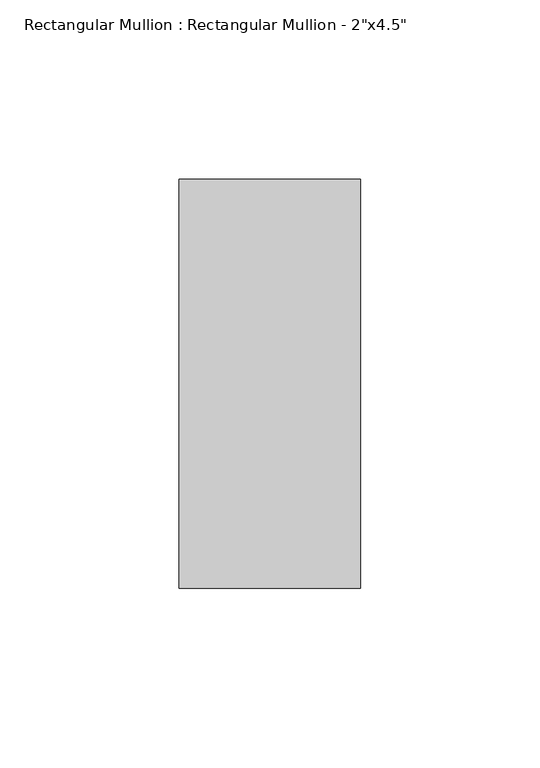
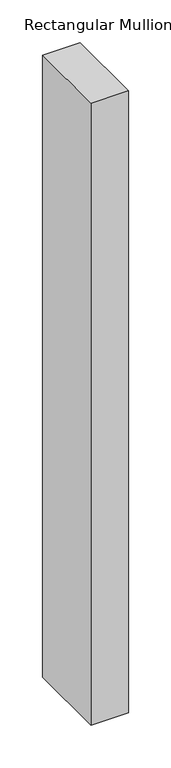
"""IFC4 building model written with IfcOpenShell, lengths in millimetres: member geometry."""

from ifc_helpers import new_model, si_unit, frame, origin, place, context, project, spatial, polyline, outline, extrude, source, transform, mapped, element, save


def member_f8ef7f83(model_context):
    return source(origin(), model_context, "Body", "SweptSolid", [
        extrude(outline(polyline([(0.0, 57.15), (0.0, -57.15), (-50.8, -57.15), (-50.8, 57.15), (0.0, 57.15)])), frame((0.0, 0.0, -891.1166667), z_axis=(0.0, 0.0, 1.0), x_axis=(1.0, 0.0, 0.0)), (0.0, 0.0, 1.0), 891.1166667),
    ])


if __name__ == "__main__":
    model = new_model("IFC4")
    model_context = context("Model", 3, world=origin())
    ifc_project = project(units=[si_unit("LENGTHUNIT", "METRE", prefix="MILLI")], contexts=[model_context])
    site = spatial("IfcSite", under=ifc_project)
    building = spatial("IfcBuilding", under=site)
    placement = place(None, origin())
    member_shape = member_f8ef7f83(model_context)
    element("IfcMember", 1, ObjectType="Rectangular Mullion : Rectangular Mullion - 2\"x4.5\"", at=placement, inside=building, context=model_context, shape_type="MappedRepresentation", body=[
        mapped(member_shape, transform((0.0, 0.0, 0.0), x_axis=(1.0, 0.0, 0.0), y_axis=(0.0, 1.0, 0.0), z_axis=(0.0, 0.0, 1.0))),
    ])
    save(model, "model.ifc")
